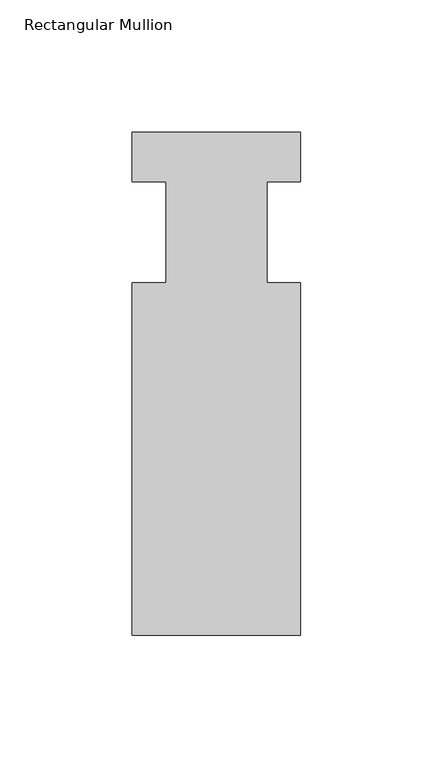
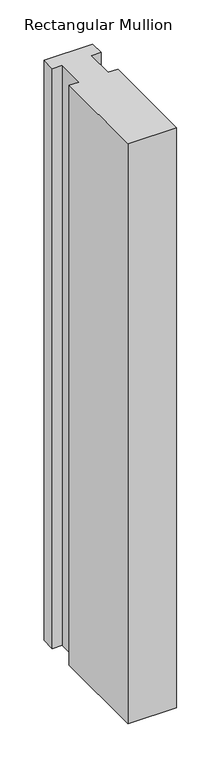
"""IFC4 building model written with IfcOpenShell, lengths in millimetres: member geometry, Rectangular Mullion."""

from ifc_helpers import new_model, si_unit, frame, origin, place, context, project, spatial, polyline, outline, extrude, source, transform, mapped, element, save


def rectangular_mullion_5e6fe1a9(model_context):
    return source(origin(), model_context, "Body", "SweptSolid", [
        extrude(outline(polyline([(31.75, -151.9936), (-31.75, -151.9936), (-31.75, -19.05), (-19.05, -19.05), (-19.05, 19.05), (-31.75, 19.05), (-31.75, 37.6936), (31.75, 37.6936), (31.75, 19.05), (19.0499746, 19.05), (19.0499746, -19.05), (31.75, -19.05), (31.75, -151.9936)])), frame((0.0, 0.0, -800.0882131), z_axis=(0.0, 0.0, 1.0), x_axis=(1.0, 0.0, 0.0)), (0.0, 0.0, 1.0), 800.0882131),
    ])


if __name__ == "__main__":
    model = new_model("IFC4")
    model_context = context("Model", 3, world=origin())
    ifc_project = project(units=[si_unit("LENGTHUNIT", "METRE", prefix="MILLI")], contexts=[model_context])
    site = spatial("IfcSite", under=ifc_project)
    building = spatial("IfcBuilding", under=site)
    placement = place(None, origin())
    rectangular_mullion_shape = rectangular_mullion_5e6fe1a9(model_context)
    element("IfcMember", 1, ObjectType="Rectangular Mullion", at=placement, inside=building, context=model_context, shape_type="MappedRepresentation", body=[
        mapped(rectangular_mullion_shape, transform((0.0, 0.0, 0.0), x_axis=(1.0, 0.0, 0.0), y_axis=(0.0, 1.0, 0.0), z_axis=(0.0, 0.0, 1.0))),
    ])
    save(model, "model.ifc")
